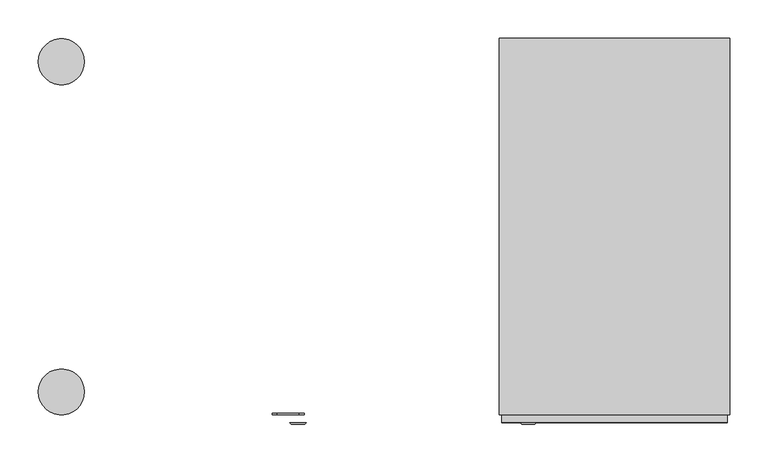
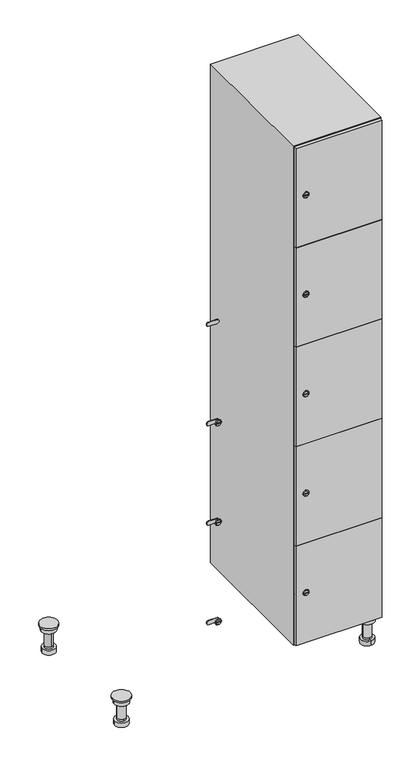
"""IFC4 building model written with IfcOpenShell, lengths in millimetres: furniture geometry."""

from ifc_helpers import new_model, si_unit, point, frame, frame_2d, origin, place, context, project, spatial, polyline, circle_curve, trimmed, segment, composite_curve, outline, extrude, faceted_brep, source, transform, mapped, element, save
from ifc_brep_helpers import plane_surface, cylinder_surface, revolved_surface, advanced_brep


def furniture_5fcd760f(model_context):
    return source(origin(), model_context, "Body", "SolidModel", [
        advanced_brep(
        [(670.0, -201.0, 22.0), (670.0, -201.5, 16.0), (670.0, -228.5, 16.0), (670.0, -229.0, 22.0), (656.0, -215.0, 22.0), (684.0, -215.0, 22.0), (670.0, -192.5, 16.0), (670.0, -237.5, 16.0), (670.0, -192.5, 0.0), (670.0, -237.5, 0.0), (684.0, -215.0, 78.0), (656.0, -215.0, 78.0), (695.0, -215.0, 78.0), (645.0, -215.0, 78.0), (700.0, -215.0, 94.0), (640.0, -215.0, 94.0), (645.0, -215.0, 94.0), (695.0, -215.0, 94.0), (700.0, -215.0, 100.0), (640.0, -215.0, 100.0)],
        [
            (0, 1),
            (1, 2, circle_curve(frame((670.0, -215.0, 16.0), z_axis=(0.0, 0.0, 1.0), x_axis=(0.0, -1.0, 0.0)), 13.5)),
            (2, 3),
            (3, 4, circle_curve(frame((670.0, -215.0, 22.0), z_axis=(0.0, 0.0, -1.0), x_axis=(0.0, -1.0, 0.0)), 14.0)),
            (4, 0, circle_curve(frame((670.0, -215.0, 22.0), z_axis=(0.0, 0.0, -1.0), x_axis=(0.0, -1.0, 0.0)), 14.0)),
            (0, 5, circle_curve(frame((670.0, -215.0, 22.0), z_axis=(0.0, 0.0, -1.0), x_axis=(0.0, 1.0, 0.0)), 14.0)),
            (5, 3, circle_curve(frame((670.0, -215.0, 22.0), z_axis=(0.0, 0.0, -1.0), x_axis=(0.0, 1.0, 0.0)), 14.0)),
            (2, 1, circle_curve(frame((670.0, -215.0, 16.0), z_axis=(0.0, 0.0, 1.0), x_axis=(0.0, 1.0, 0.0)), 13.5)),
            (6, 7, circle_curve(frame((670.0, -215.0, 16.0), z_axis=(0.0, 0.0, 1.0), x_axis=(0.0, -1.0, 0.0)), 22.5)),
            (7, 6, circle_curve(frame((670.0, -215.0, 16.0), z_axis=(0.0, 0.0, 1.0), x_axis=(0.0, -1.0, 0.0)), 22.5)),
            (8, 9, circle_curve(frame((670.0, -215.0, 0.0), z_axis=(0.0, 0.0, -1.0), x_axis=(0.0, -1.0, 0.0)), 22.5)),
            (9, 8, circle_curve(frame((670.0, -215.0, 0.0), z_axis=(0.0, 0.0, -1.0), x_axis=(0.0, -1.0, 0.0)), 22.5)),
            (6, 8),
            (9, 7),
            (5, 10),
            (10, 11, circle_curve(frame((670.0, -215.0, 78.0), z_axis=(0.0, 0.0, -1.0), x_axis=(-1.0, 0.0, 0.0)), 14.0)),
            (11, 4),
            (11, 10, circle_curve(frame((670.0, -215.0, 78.0), z_axis=(0.0, 0.0, -1.0), x_axis=(-1.0, 0.0, 0.0)), 14.0)),
            (12, 13, circle_curve(frame((670.0, -215.0, 78.0), z_axis=(0.0, 0.0, -1.0), x_axis=(-1.0, 0.0, 0.0)), 25.0)),
            (13, 12, circle_curve(frame((670.0, -215.0, 78.0), z_axis=(0.0, 0.0, -1.0), x_axis=(-1.0, 0.0, 0.0)), 25.0)),
            (14, 15, circle_curve(frame((670.0, -215.0, 94.0), z_axis=(0.0, 0.0, -1.0), x_axis=(-1.0, 0.0, 0.0)), 30.0)),
            (15, 14, circle_curve(frame((670.0, -215.0, 94.0), z_axis=(0.0, 0.0, -1.0), x_axis=(-1.0, 0.0, 0.0)), 30.0)),
            (16, 17, circle_curve(frame((670.0, -215.0, 94.0), z_axis=(0.0, 0.0, 1.0), x_axis=(-1.0, 0.0, 0.0)), 25.0)),
            (17, 16, circle_curve(frame((670.0, -215.0, 94.0), z_axis=(0.0, 0.0, 1.0), x_axis=(-1.0, 0.0, 0.0)), 25.0)),
            (18, 19, circle_curve(frame((670.0, -215.0, 100.0), z_axis=(0.0, 0.0, 1.0), x_axis=(-1.0, 0.0, 0.0)), 30.0)),
            (19, 18, circle_curve(frame((670.0, -215.0, 100.0), z_axis=(0.0, 0.0, 1.0), x_axis=(-1.0, 0.0, 0.0)), 30.0)),
            (14, 18),
            (19, 15),
            (12, 17),
            (16, 13),
        ],
        [
            revolved_surface(polyline([(670.0, -201.5, 16.0), (670.0, -201.0, 22.0)]), (670.0, -215.0, -146.0), (0.0, 0.0, 1.0)),
            plane_surface(frame((670.0, 0.0, 16.0), z_axis=(0.0, 0.0, 1.0), x_axis=(0.0, -1.0, 0.0))),
            plane_surface(frame((670.0, 0.0, 0.0), z_axis=(0.0, 0.0, -1.0), x_axis=(0.0, -1.0, 0.0))),
            cylinder_surface(frame((670.0, -215.0, 16.0), z_axis=(0.0, 0.0, 1.0), x_axis=(0.0, -1.0, 0.0)), 22.5),
            cylinder_surface(frame((670.0, -215.0, 22.0), z_axis=(0.0, 0.0, -1.0), x_axis=(-1.0, 0.0, 0.0)), 14.0),
            plane_surface(frame((670.0, 0.0, 78.0), z_axis=(0.0, 0.0, -1.0), x_axis=(0.0, -1.0, 0.0))),
            plane_surface(frame((670.0, 0.0, 94.0), z_axis=(0.0, 0.0, -1.0), x_axis=(0.0, -1.0, 0.0))),
            plane_surface(frame((670.0, 0.0, 100.0), z_axis=(0.0, 0.0, 1.0), x_axis=(0.0, -1.0, 0.0))),
            cylinder_surface(frame((670.0, -215.0, 94.0), z_axis=(0.0, 0.0, -1.0), x_axis=(-1.0, 0.0, 0.0)), 30.0),
            cylinder_surface(frame((670.0, -215.0, 78.0), z_axis=(0.0, 0.0, -1.0), x_axis=(-1.0, 0.0, 0.0)), 25.0),
        ],
        [
            (0, [[1, 2, 3, 4, 5]]),
            (0, [[-1, 6, 7, -3, 8]]),
            (1, [[9, 10], [-2, -8]]),
            (2, [[11, 12]]),
            (3, [[-9, 13, -12, 14]]),
            (3, [[-10, -14, -11, -13]]),
            (4, [[15, 16, 17, -4, -7]]),
            (4, [[-15, -6, -5, -17, 18]]),
            (5, [[19, 20], [-16, -18]]),
            (6, [[21, 22], [23, 24]]),
            (7, [[25, 26]]),
            (8, [[-21, 27, -26, 28]]),
            (8, [[-22, -28, -25, -27]]),
            (9, [[-19, 29, -23, 30]]),
            (9, [[-20, -30, -24, -29]]),
        ],
    ),
        advanced_brep(
        [(-170.0, -201.0, 22.0), (-170.0, -201.5, 16.0), (-170.0, -228.5, 16.0), (-170.0, -229.0, 22.0), (-184.0, -215.0, 22.0), (-156.0, -215.0, 22.0), (-147.5, -215.0, 0.0), (-192.5, -215.0, 0.0), (-147.5, -215.0, 16.0), (-192.5, -215.0, 16.0), (-156.0, -215.0, 78.0), (-184.0, -215.0, 78.0), (-145.0, -215.0, 78.0), (-195.0, -215.0, 78.0), (-140.0, -215.0, 94.0), (-200.0, -215.0, 94.0), (-195.0, -215.0, 94.0), (-145.0, -215.0, 94.0), (-140.0, -215.0, 100.0), (-200.0, -215.0, 100.0)],
        [
            (0, 1),
            (1, 2, circle_curve(frame((-170.0, -215.0, 16.0), z_axis=(0.0, 0.0, 1.0), x_axis=(0.0, -1.0, 0.0)), 13.5)),
            (2, 3),
            (3, 4, circle_curve(frame((-170.0, -215.0, 22.0), z_axis=(0.0, 0.0, -1.0), x_axis=(0.0, -1.0, 0.0)), 14.0)),
            (4, 0, circle_curve(frame((-170.0, -215.0, 22.0), z_axis=(0.0, 0.0, -1.0), x_axis=(0.0, -1.0, 0.0)), 14.0)),
            (0, 5, circle_curve(frame((-170.0, -215.0, 22.0), z_axis=(0.0, 0.0, -1.0), x_axis=(0.0, 1.0, 0.0)), 14.0)),
            (5, 3, circle_curve(frame((-170.0, -215.0, 22.0), z_axis=(0.0, 0.0, -1.0), x_axis=(0.0, 1.0, 0.0)), 14.0)),
            (2, 1, circle_curve(frame((-170.0, -215.0, 16.0), z_axis=(0.0, 0.0, 1.0), x_axis=(0.0, 1.0, 0.0)), 13.5)),
            (6, 7, circle_curve(frame((-170.0, -215.0, 0.0), z_axis=(0.0, 0.0, -1.0), x_axis=(-1.0, 0.0, 0.0)), 22.5)),
            (7, 6, circle_curve(frame((-170.0, -215.0, 0.0), z_axis=(0.0, 0.0, -1.0), x_axis=(-1.0, 0.0, 0.0)), 22.5)),
            (8, 9, circle_curve(frame((-170.0, -215.0, 16.0), z_axis=(0.0, 0.0, 1.0), x_axis=(-1.0, 0.0, 0.0)), 22.5)),
            (9, 8, circle_curve(frame((-170.0, -215.0, 16.0), z_axis=(0.0, 0.0, 1.0), x_axis=(-1.0, 0.0, 0.0)), 22.5)),
            (6, 8),
            (9, 7),
            (5, 10),
            (10, 11, circle_curve(frame((-170.0, -215.0, 78.0), z_axis=(0.0, 0.0, -1.0), x_axis=(-1.0, 0.0, 0.0)), 14.0)),
            (11, 4),
            (11, 10, circle_curve(frame((-170.0, -215.0, 78.0), z_axis=(0.0, 0.0, -1.0), x_axis=(-1.0, 0.0, 0.0)), 14.0)),
            (12, 13, circle_curve(frame((-170.0, -215.0, 78.0), z_axis=(0.0, 0.0, -1.0), x_axis=(-1.0, 0.0, 0.0)), 25.0)),
            (13, 12, circle_curve(frame((-170.0, -215.0, 78.0), z_axis=(0.0, 0.0, -1.0), x_axis=(-1.0, 0.0, 0.0)), 25.0)),
            (14, 15, circle_curve(frame((-170.0, -215.0, 94.0), z_axis=(0.0, 0.0, -1.0), x_axis=(-1.0, 0.0, 0.0)), 30.0)),
            (15, 14, circle_curve(frame((-170.0, -215.0, 94.0), z_axis=(0.0, 0.0, -1.0), x_axis=(-1.0, 0.0, 0.0)), 30.0)),
            (16, 17, circle_curve(frame((-170.0, -215.0, 94.0), z_axis=(0.0, 0.0, 1.0), x_axis=(-1.0, 0.0, 0.0)), 25.0)),
            (17, 16, circle_curve(frame((-170.0, -215.0, 94.0), z_axis=(0.0, 0.0, 1.0), x_axis=(-1.0, 0.0, 0.0)), 25.0)),
            (18, 19, circle_curve(frame((-170.0, -215.0, 100.0), z_axis=(0.0, 0.0, 1.0), x_axis=(-1.0, 0.0, 0.0)), 30.0)),
            (19, 18, circle_curve(frame((-170.0, -215.0, 100.0), z_axis=(0.0, 0.0, 1.0), x_axis=(-1.0, 0.0, 0.0)), 30.0)),
            (14, 18),
            (19, 15),
            (12, 17),
            (16, 13),
        ],
        [
            revolved_surface(polyline([(-170.0, -201.5, 16.0), (-170.0, -201.0, 22.0)]), (-170.0, -215.0, -146.0), (0.0, 0.0, 1.0)),
            plane_surface(frame((-170.0, 0.0, 0.0), z_axis=(0.0, 0.0, -1.0), x_axis=(0.0, -1.0, 0.0))),
            plane_surface(frame((-170.0, 0.0, 16.0), z_axis=(0.0, 0.0, 1.0), x_axis=(0.0, -1.0, 0.0))),
            cylinder_surface(frame((-170.0, -215.0, 0.0), z_axis=(0.0, 0.0, -1.0), x_axis=(-1.0, 0.0, 0.0)), 22.5),
            cylinder_surface(frame((-170.0, -215.0, 22.0), z_axis=(0.0, 0.0, -1.0), x_axis=(-1.0, 0.0, 0.0)), 14.0),
            plane_surface(frame((-170.0, 0.0, 78.0), z_axis=(0.0, 0.0, -1.0), x_axis=(0.0, -1.0, 0.0))),
            plane_surface(frame((-170.0, 0.0, 94.0), z_axis=(0.0, 0.0, -1.0), x_axis=(0.0, -1.0, 0.0))),
            plane_surface(frame((-170.0, 0.0, 100.0), z_axis=(0.0, 0.0, 1.0), x_axis=(0.0, -1.0, 0.0))),
            cylinder_surface(frame((-170.0, -215.0, 94.0), z_axis=(0.0, 0.0, -1.0), x_axis=(-1.0, 0.0, 0.0)), 30.0),
            cylinder_surface(frame((-170.0, -215.0, 78.0), z_axis=(0.0, 0.0, -1.0), x_axis=(-1.0, 0.0, 0.0)), 25.0),
        ],
        [
            (0, [[1, 2, 3, 4, 5]]),
            (0, [[-1, 6, 7, -3, 8]]),
            (1, [[9, 10]]),
            (2, [[11, 12], [-2, -8]]),
            (3, [[-9, 13, -12, 14]]),
            (3, [[-10, -14, -11, -13]]),
            (4, [[15, 16, 17, -4, -7]]),
            (4, [[-15, -6, -5, -17, 18]]),
            (5, [[19, 20], [-16, -18]]),
            (6, [[21, 22], [23, 24]]),
            (7, [[25, 26]]),
            (8, [[-21, 27, -26, 28]]),
            (8, [[-22, -28, -25, -27]]),
            (9, [[-19, 29, -23, 30]]),
            (9, [[-20, -30, -24, -29]]),
        ],
    ),
        advanced_brep(
        [(683.5, 215.0, 16.0), (684.0, 215.0, 22.0), (656.0, 215.0, 22.0), (656.5, 215.0, 16.0), (692.5, 215.0, 0.0), (647.5, 215.0, 0.0), (692.5, 215.0, 16.0), (647.5, 215.0, 16.0), (684.0, 215.0, 78.0), (656.0, 215.0, 78.0), (695.0, 215.0, 78.0), (645.0, 215.0, 78.0), (700.0, 215.0, 94.0), (640.0, 215.0, 94.0), (645.0, 215.0, 94.0), (695.0, 215.0, 94.0), (700.0, 215.0, 100.0), (640.0, 215.0, 100.0)],
        [
            (0, 1),
            (1, 2, circle_curve(frame((670.0, 215.0, 22.0), z_axis=(0.0, 0.0, -1.0), x_axis=(-1.0, 0.0, 0.0)), 14.0)),
            (2, 3),
            (3, 0, circle_curve(frame((670.0, 215.0, 16.0), z_axis=(0.0, 0.0, 1.0), x_axis=(-1.0, 0.0, 0.0)), 13.5)),
            (0, 3, circle_curve(frame((670.0, 215.0, 16.0), z_axis=(0.0, 0.0, 1.0), x_axis=(1.0, 0.0, 0.0)), 13.5)),
            (2, 1, circle_curve(frame((670.0, 215.0, 22.0), z_axis=(0.0, 0.0, -1.0), x_axis=(1.0, 0.0, 0.0)), 14.0)),
            (4, 5, circle_curve(frame((670.0, 215.0, 0.0), z_axis=(0.0, 0.0, -1.0), x_axis=(-1.0, 0.0, 0.0)), 22.5)),
            (5, 4, circle_curve(frame((670.0, 215.0, 0.0), z_axis=(0.0, 0.0, -1.0), x_axis=(-1.0, 0.0, 0.0)), 22.5)),
            (6, 7, circle_curve(frame((670.0, 215.0, 16.0), z_axis=(0.0, 0.0, 1.0), x_axis=(-1.0, 0.0, 0.0)), 22.5)),
            (7, 6, circle_curve(frame((670.0, 215.0, 16.0), z_axis=(0.0, 0.0, 1.0), x_axis=(-1.0, 0.0, 0.0)), 22.5)),
            (4, 6),
            (7, 5),
            (1, 8),
            (8, 9, circle_curve(frame((670.0, 215.0, 78.0), z_axis=(0.0, 0.0, -1.0), x_axis=(-1.0, 0.0, 0.0)), 14.0)),
            (9, 2),
            (9, 8, circle_curve(frame((670.0, 215.0, 78.0), z_axis=(0.0, 0.0, -1.0), x_axis=(-1.0, 0.0, 0.0)), 14.0)),
            (10, 11, circle_curve(frame((670.0, 215.0, 78.0), z_axis=(0.0, 0.0, -1.0), x_axis=(-1.0, 0.0, 0.0)), 25.0)),
            (11, 10, circle_curve(frame((670.0, 215.0, 78.0), z_axis=(0.0, 0.0, -1.0), x_axis=(-1.0, 0.0, 0.0)), 25.0)),
            (12, 13, circle_curve(frame((670.0, 215.0, 94.0), z_axis=(0.0, 0.0, -1.0), x_axis=(-1.0, 0.0, 0.0)), 30.0)),
            (13, 12, circle_curve(frame((670.0, 215.0, 94.0), z_axis=(0.0, 0.0, -1.0), x_axis=(-1.0, 0.0, 0.0)), 30.0)),
            (14, 15, circle_curve(frame((670.0, 215.0, 94.0), z_axis=(0.0, 0.0, 1.0), x_axis=(-1.0, 0.0, 0.0)), 25.0)),
            (15, 14, circle_curve(frame((670.0, 215.0, 94.0), z_axis=(0.0, 0.0, 1.0), x_axis=(-1.0, 0.0, 0.0)), 25.0)),
            (16, 17, circle_curve(frame((670.0, 215.0, 100.0), z_axis=(0.0, 0.0, 1.0), x_axis=(-1.0, 0.0, 0.0)), 30.0)),
            (17, 16, circle_curve(frame((670.0, 215.0, 100.0), z_axis=(0.0, 0.0, 1.0), x_axis=(-1.0, 0.0, 0.0)), 30.0)),
            (12, 16),
            (17, 13),
            (10, 15),
            (14, 11),
        ],
        [
            revolved_surface(polyline([(683.5, 215.0, 16.0), (684.0, 215.0, 22.0)]), (670.0, 215.0, -146.0), (0.0, 0.0, 1.0)),
            plane_surface(frame((670.0, 0.0, 0.0), z_axis=(0.0, 0.0, -1.0), x_axis=(0.0, -1.0, 0.0))),
            plane_surface(frame((670.0, 0.0, 16.0), z_axis=(0.0, 0.0, 1.0), x_axis=(0.0, -1.0, 0.0))),
            cylinder_surface(frame((670.0, 215.0, 0.0), z_axis=(0.0, 0.0, -1.0), x_axis=(-1.0, 0.0, 0.0)), 22.5),
            cylinder_surface(frame((670.0, 215.0, 22.0), z_axis=(0.0, 0.0, -1.0), x_axis=(-1.0, 0.0, 0.0)), 14.0),
            plane_surface(frame((670.0, 0.0, 78.0), z_axis=(0.0, 0.0, -1.0), x_axis=(0.0, -1.0, 0.0))),
            plane_surface(frame((670.0, 0.0, 94.0), z_axis=(0.0, 0.0, -1.0), x_axis=(0.0, -1.0, 0.0))),
            plane_surface(frame((670.0, 0.0, 100.0), z_axis=(0.0, 0.0, 1.0), x_axis=(0.0, -1.0, 0.0))),
            cylinder_surface(frame((670.0, 215.0, 94.0), z_axis=(0.0, 0.0, -1.0), x_axis=(-1.0, 0.0, 0.0)), 30.0),
            cylinder_surface(frame((670.0, 215.0, 78.0), z_axis=(0.0, 0.0, -1.0), x_axis=(-1.0, 0.0, 0.0)), 25.0),
        ],
        [
            (0, [[1, 2, 3, 4]]),
            (0, [[-1, 5, -3, 6]]),
            (1, [[7, 8]]),
            (2, [[9, 10], [-4, -5]]),
            (3, [[-7, 11, -10, 12]]),
            (3, [[-8, -12, -9, -11]]),
            (4, [[13, 14, 15, -2]]),
            (4, [[-13, -6, -15, 16]]),
            (5, [[17, 18], [-14, -16]]),
            (6, [[19, 20], [21, 22]]),
            (7, [[23, 24]]),
            (8, [[-19, 25, -24, 26]]),
            (8, [[-20, -26, -23, -25]]),
            (9, [[-17, 27, -21, 28]]),
            (9, [[-18, -28, -22, -27]]),
        ],
    ),
        advanced_brep(
        [(-156.5, 215.0, 16.0), (-156.0, 215.0, 22.0), (-170.0, 201.0, 22.0), (-184.0, 215.0, 22.0), (-183.5, 215.0, 16.0), (-170.0, 229.0, 22.0), (-147.5, 215.0, 0.0), (-192.5, 215.0, 0.0), (-147.5, 215.0, 16.0), (-192.5, 215.0, 16.0), (-170.0, 229.0, 78.0), (-170.0, 201.0, 78.0), (-145.0, 215.0, 78.0), (-195.0, 215.0, 78.0), (-140.0, 215.0, 94.0), (-200.0, 215.0, 94.0), (-195.0, 215.0, 94.0), (-145.0, 215.0, 94.0), (-140.0, 215.0, 100.0), (-200.0, 215.0, 100.0)],
        [
            (0, 1),
            (1, 2, circle_curve(frame((-170.0, 215.0, 22.0), z_axis=(0.0, 0.0, -1.0), x_axis=(-1.0, 0.0, 0.0)), 14.0)),
            (2, 3, circle_curve(frame((-170.0, 215.0, 22.0), z_axis=(0.0, 0.0, -1.0), x_axis=(-1.0, 0.0, 0.0)), 14.0)),
            (3, 4),
            (4, 0, circle_curve(frame((-170.0, 215.0, 16.0), z_axis=(0.0, 0.0, 1.0), x_axis=(-1.0, 0.0, 0.0)), 13.5)),
            (0, 4, circle_curve(frame((-170.0, 215.0, 16.0), z_axis=(0.0, 0.0, 1.0), x_axis=(1.0, 0.0, 0.0)), 13.5)),
            (3, 5, circle_curve(frame((-170.0, 215.0, 22.0), z_axis=(0.0, 0.0, -1.0), x_axis=(1.0, 0.0, 0.0)), 14.0)),
            (5, 1, circle_curve(frame((-170.0, 215.0, 22.0), z_axis=(0.0, 0.0, -1.0), x_axis=(1.0, 0.0, 0.0)), 14.0)),
            (6, 7, circle_curve(frame((-170.0, 215.0, 0.0), z_axis=(0.0, 0.0, -1.0), x_axis=(-1.0, 0.0, 0.0)), 22.5)),
            (7, 6, circle_curve(frame((-170.0, 215.0, 0.0), z_axis=(0.0, 0.0, -1.0), x_axis=(-1.0, 0.0, 0.0)), 22.5)),
            (8, 9, circle_curve(frame((-170.0, 215.0, 16.0), z_axis=(0.0, 0.0, 1.0), x_axis=(-1.0, 0.0, 0.0)), 22.5)),
            (9, 8, circle_curve(frame((-170.0, 215.0, 16.0), z_axis=(0.0, 0.0, 1.0), x_axis=(-1.0, 0.0, 0.0)), 22.5)),
            (6, 8),
            (9, 7),
            (10, 5),
            (2, 11),
            (11, 10, circle_curve(frame((-170.0, 215.0, 78.0), z_axis=(0.0, 0.0, -1.0), x_axis=(0.0, -1.0, 0.0)), 14.0)),
            (10, 11, circle_curve(frame((-170.0, 215.0, 78.0), z_axis=(0.0, 0.0, -1.0), x_axis=(0.0, -1.0, 0.0)), 14.0)),
            (12, 13, circle_curve(frame((-170.0, 215.0, 78.0), z_axis=(0.0, 0.0, -1.0), x_axis=(-1.0, 0.0, 0.0)), 25.0)),
            (13, 12, circle_curve(frame((-170.0, 215.0, 78.0), z_axis=(0.0, 0.0, -1.0), x_axis=(-1.0, 0.0, 0.0)), 25.0)),
            (14, 15, circle_curve(frame((-170.0, 215.0, 94.0), z_axis=(0.0, 0.0, -1.0), x_axis=(-1.0, 0.0, 0.0)), 30.0)),
            (15, 14, circle_curve(frame((-170.0, 215.0, 94.0), z_axis=(0.0, 0.0, -1.0), x_axis=(-1.0, 0.0, 0.0)), 30.0)),
            (16, 17, circle_curve(frame((-170.0, 215.0, 94.0), z_axis=(0.0, 0.0, 1.0), x_axis=(-1.0, 0.0, 0.0)), 25.0)),
            (17, 16, circle_curve(frame((-170.0, 215.0, 94.0), z_axis=(0.0, 0.0, 1.0), x_axis=(-1.0, 0.0, 0.0)), 25.0)),
            (18, 19, circle_curve(frame((-170.0, 215.0, 100.0), z_axis=(0.0, 0.0, 1.0), x_axis=(-1.0, 0.0, 0.0)), 30.0)),
            (19, 18, circle_curve(frame((-170.0, 215.0, 100.0), z_axis=(0.0, 0.0, 1.0), x_axis=(-1.0, 0.0, 0.0)), 30.0)),
            (14, 18),
            (19, 15),
            (12, 17),
            (16, 13),
        ],
        [
            revolved_surface(polyline([(-156.5, 215.0, 16.0), (-156.0, 215.0, 22.0)]), (-170.0, 215.0, -146.0), (0.0, 0.0, 1.0)),
            plane_surface(frame((-170.0, 0.0, 0.0), z_axis=(0.0, 0.0, -1.0), x_axis=(0.0, -1.0, 0.0))),
            plane_surface(frame((-170.0, 0.0, 16.0), z_axis=(0.0, 0.0, 1.0), x_axis=(0.0, -1.0, 0.0))),
            cylinder_surface(frame((-170.0, 215.0, 0.0), z_axis=(0.0, 0.0, -1.0), x_axis=(-1.0, 0.0, 0.0)), 22.5),
            cylinder_surface(frame((-170.0, 215.0, 78.0), z_axis=(0.0, 0.0, 1.0), x_axis=(0.0, -1.0, 0.0)), 14.0),
            plane_surface(frame((-170.0, 0.0, 78.0), z_axis=(0.0, 0.0, -1.0), x_axis=(0.0, -1.0, 0.0))),
            plane_surface(frame((-170.0, 0.0, 94.0), z_axis=(0.0, 0.0, -1.0), x_axis=(0.0, -1.0, 0.0))),
            plane_surface(frame((-170.0, 0.0, 100.0), z_axis=(0.0, 0.0, 1.0), x_axis=(0.0, -1.0, 0.0))),
            cylinder_surface(frame((-170.0, 215.0, 94.0), z_axis=(0.0, 0.0, -1.0), x_axis=(-1.0, 0.0, 0.0)), 30.0),
            cylinder_surface(frame((-170.0, 215.0, 78.0), z_axis=(0.0, 0.0, -1.0), x_axis=(-1.0, 0.0, 0.0)), 25.0),
        ],
        [
            (0, [[1, 2, 3, 4, 5]]),
            (0, [[-1, 6, -4, 7, 8]]),
            (1, [[9, 10]]),
            (2, [[11, 12], [-5, -6]]),
            (3, [[-9, 13, -12, 14]]),
            (3, [[-10, -14, -11, -13]]),
            (4, [[15, -7, -3, 16, 17]]),
            (4, [[-15, 18, -16, -2, -8]]),
            (5, [[19, 20], [-17, -18]]),
            (6, [[21, 22], [23, 24]]),
            (7, [[25, 26]]),
            (8, [[-21, 27, -26, 28]]),
            (8, [[-22, -28, -25, -27]]),
            (9, [[-19, 29, -23, 30]]),
            (9, [[-20, -30, -24, -29]]),
        ],
    ),
        extrude(outline(composite_curve([segment(trimmed(circle_curve(frame_2d((282.4, 411.2010534)), 7.0), [point((289.4, 411.2010534))], [point((275.4, 411.2010534))], False, "CARTESIAN"), True, "CONTINUOUS"), segment(polyline([(275.4, 411.2010534), (275.4, 439.2010534)]), True, "CONTINUOUS"), segment(trimmed(circle_curve(frame_2d((282.4, 439.2010534)), 7.0), [point((275.4, 439.2010534))], [point((289.4, 439.2010534))], False, "CARTESIAN"), True, "CONTINUOUS"), segment(polyline([(289.4, 439.2010534), (289.4, 411.2010534)]), True, "CONTINUOUS")], self_intersect=False)), frame((0.0, -245.0, 0.0), z_axis=(0.0, 1.0, 0.0), x_axis=(0.0, 0.0, 1.0)), (0.0, 0.0, 1.0), 2.0),
        advanced_brep(
        [(446.5, -257.2, 282.4), (429.5, -257.2, 282.4), (433.0, -257.2, 281.15), (433.0, -257.2, 283.65), (443.0, -257.2, 283.65), (443.0, -257.2, 281.15), (448.5, -255.0, 282.4), (427.5, -255.0, 282.4), (433.0, -255.0, 283.65), (433.0, -255.0, 281.15), (443.0, -255.0, 281.15), (443.0, -255.0, 283.65)],
        [
            (0, 1, circle_curve(frame((438.0, -257.2, 282.4), z_axis=(0.0, -1.0, 0.0), x_axis=(1.0, 0.0, 0.0)), 8.5)),
            (1, 0, circle_curve(frame((438.0, -257.2, 282.4), z_axis=(0.0, -1.0, 0.0), x_axis=(-1.0, 0.0, 0.0)), 8.5)),
            (2, 3),
            (3, 4),
            (4, 5),
            (5, 2),
            (6, 7, circle_curve(frame((438.0, -255.0, 282.4), z_axis=(0.0, 1.0, 0.0), x_axis=(-1.0, 0.0, 0.0)), 10.5)),
            (7, 6, circle_curve(frame((438.0, -255.0, 282.4), z_axis=(0.0, 1.0, 0.0), x_axis=(1.0, 0.0, 0.0)), 10.5)),
            (8, 9),
            (9, 10),
            (10, 11),
            (11, 8),
            (0, 6),
            (7, 1),
            (8, 3),
            (2, 9),
            (11, 4),
            (10, 5),
        ],
        [
            plane_surface(frame((438.0, -257.2, 282.4), z_axis=(0.0, -1.0, 0.0), x_axis=(0.0, 0.0, 1.0))),
            plane_surface(frame((438.0, -255.0, 282.4), z_axis=(0.0, 1.0, 0.0), x_axis=(0.0, 0.0, 1.0))),
            revolved_surface(polyline([(446.5, -257.2, 282.4), (448.5, -255.0, 282.4)]), (438.0, -266.55, 282.4), (0.0, 1.0, 0.0)),
            revolved_surface(polyline([(429.5, -257.2, 282.4), (427.5, -255.0, 282.4)]), (438.0, -266.55, 282.4), (0.0, 1.0, 0.0)),
            plane_surface(frame((433.0, -255.0, 281.15), z_axis=(1.0, 0.0, 0.0), x_axis=(0.0, -1.0, 0.0))),
            plane_surface(frame((433.0, -255.0, 283.65), z_axis=(0.0, 0.0, -1.0), x_axis=(0.0, -1.0, 0.0))),
            plane_surface(frame((443.0, -255.0, 283.65), z_axis=(-1.0, 0.0, 0.0), x_axis=(0.0, -1.0, 0.0))),
            plane_surface(frame((443.0, -255.0, 281.15), z_axis=(0.0, 0.0, 1.0), x_axis=(0.0, -1.0, 0.0))),
        ],
        [
            (0, [[1, 2], [3, 4, 5, 6]]),
            (1, [[7, 8], [9, 10, 11, 12]]),
            (2, [[-1, 13, -8, 14]]),
            (3, [[-2, -14, -7, -13]]),
            (4, [[15, -3, 16, -9]]),
            (5, [[-15, -12, 17, -4]]),
            (6, [[-17, -11, 18, -5]]),
            (7, [[-16, -6, -18, -10]]),
        ],
    ),
        extrude(outline(composite_curve([segment(trimmed(circle_curve(frame_2d((641.2, 411.2010534)), 7.0), [point((648.2, 411.2010534))], [point((634.2, 411.2010534))], False, "CARTESIAN"), True, "CONTINUOUS"), segment(polyline([(634.2, 411.2010534), (634.2, 439.2010534)]), True, "CONTINUOUS"), segment(trimmed(circle_curve(frame_2d((641.2, 439.2010534)), 7.0), [point((634.2, 439.2010534))], [point((648.2, 439.2010534))], False, "CARTESIAN"), True, "CONTINUOUS"), segment(polyline([(648.2, 439.2010534), (648.2, 411.2010534)]), True, "CONTINUOUS")], self_intersect=False)), frame((0.0, -245.0, 0.0), z_axis=(0.0, 1.0, 0.0), x_axis=(0.0, 0.0, 1.0)), (0.0, 0.0, 1.0), 2.0),
        advanced_brep(
        [(446.5, -257.2, 641.2), (429.5, -257.2, 641.2), (433.0, -257.2, 639.95), (433.0, -257.2, 642.45), (443.0, -257.2, 642.45), (443.0, -257.2, 639.95), (448.5, -255.0, 641.2), (427.5, -255.0, 641.2), (433.0, -255.0, 642.45), (433.0, -255.0, 639.95), (443.0, -255.0, 639.95), (443.0, -255.0, 642.45)],
        [
            (0, 1, circle_curve(frame((438.0, -257.2, 641.2), z_axis=(0.0, -1.0, 0.0), x_axis=(1.0, 0.0, 0.0)), 8.5)),
            (1, 0, circle_curve(frame((438.0, -257.2, 641.2), z_axis=(0.0, -1.0, 0.0), x_axis=(-1.0, 0.0, 0.0)), 8.5)),
            (2, 3),
            (3, 4),
            (4, 5),
            (5, 2),
            (6, 7, circle_curve(frame((438.0, -255.0, 641.2), z_axis=(0.0, 1.0, 0.0), x_axis=(-1.0, 0.0, 0.0)), 10.5)),
            (7, 6, circle_curve(frame((438.0, -255.0, 641.2), z_axis=(0.0, 1.0, 0.0), x_axis=(1.0, 0.0, 0.0)), 10.5)),
            (8, 9),
            (9, 10),
            (10, 11),
            (11, 8),
            (0, 6),
            (7, 1),
            (8, 3),
            (2, 9),
            (11, 4),
            (10, 5),
        ],
        [
            plane_surface(frame((438.0, -257.2, 641.2), z_axis=(0.0, -1.0, 0.0), x_axis=(0.0, 0.0, 1.0))),
            plane_surface(frame((438.0, -255.0, 641.2), z_axis=(0.0, 1.0, 0.0), x_axis=(0.0, 0.0, 1.0))),
            revolved_surface(polyline([(446.5, -257.2, 641.2), (448.5, -255.0, 641.2)]), (438.0, -266.55, 641.2), (0.0, 1.0, 0.0)),
            revolved_surface(polyline([(429.5, -257.2, 641.2), (427.5, -255.0, 641.2)]), (438.0, -266.55, 641.2), (0.0, 1.0, 0.0)),
            plane_surface(frame((433.0, -255.0, 639.95), z_axis=(1.0, 0.0, 0.0), x_axis=(0.0, -1.0, 0.0))),
            plane_surface(frame((433.0, -255.0, 642.45), z_axis=(0.0, 0.0, -1.0), x_axis=(0.0, -1.0, 0.0))),
            plane_surface(frame((443.0, -255.0, 642.45), z_axis=(-1.0, 0.0, 0.0), x_axis=(0.0, -1.0, 0.0))),
            plane_surface(frame((443.0, -255.0, 639.95), z_axis=(0.0, 0.0, 1.0), x_axis=(0.0, -1.0, 0.0))),
        ],
        [
            (0, [[1, 2], [3, 4, 5, 6]]),
            (1, [[7, 8], [9, 10, 11, 12]]),
            (2, [[-1, 13, -8, 14]]),
            (3, [[-2, -14, -7, -13]]),
            (4, [[15, -3, 16, -9]]),
            (5, [[-15, -12, 17, -4]]),
            (6, [[-17, -11, 18, -5]]),
            (7, [[-16, -6, -18, -10]]),
        ],
    ),
        extrude(outline(composite_curve([segment(trimmed(circle_curve(frame_2d((1000.0, 411.2010534)), 7.0), [point((1007.0, 411.2010534))], [point((993.0, 411.2010534))], False, "CARTESIAN"), True, "CONTINUOUS"), segment(polyline([(993.0, 411.2010534), (993.0, 439.2010534)]), True, "CONTINUOUS"), segment(trimmed(circle_curve(frame_2d((1000.0, 439.2010534)), 7.0), [point((993.0, 439.2010534))], [point((1007.0, 439.2010534))], False, "CARTESIAN"), True, "CONTINUOUS"), segment(polyline([(1007.0, 439.2010534), (1007.0, 411.2010534)]), True, "CONTINUOUS")], self_intersect=False)), frame((0.0, -245.0, 0.0), z_axis=(0.0, 1.0, 0.0), x_axis=(0.0, 0.0, 1.0)), (0.0, 0.0, 1.0), 2.0),
        advanced_brep(
        [(446.5, -257.2, 1000.0), (429.5, -257.2, 1000.0), (433.0, -257.2, 998.75), (433.0, -257.2, 1001.25), (443.0, -257.2, 1001.25), (443.0, -257.2, 998.75), (448.5, -255.0, 1000.0), (427.5, -255.0, 1000.0), (433.0, -255.0, 1001.25), (433.0, -255.0, 998.75), (443.0, -255.0, 998.75), (443.0, -255.0, 1001.25)],
        [
            (0, 1, circle_curve(frame((438.0, -257.2, 1000.0), z_axis=(0.0, -1.0, 0.0), x_axis=(1.0, 0.0, 0.0)), 8.5)),
            (1, 0, circle_curve(frame((438.0, -257.2, 1000.0), z_axis=(0.0, -1.0, 0.0), x_axis=(-1.0, 0.0, 0.0)), 8.5)),
            (2, 3),
            (3, 4),
            (4, 5),
            (5, 2),
            (6, 7, circle_curve(frame((438.0, -255.0, 1000.0), z_axis=(0.0, 1.0, 0.0), x_axis=(-1.0, 0.0, 0.0)), 10.5)),
            (7, 6, circle_curve(frame((438.0, -255.0, 1000.0), z_axis=(0.0, 1.0, 0.0), x_axis=(1.0, 0.0, 0.0)), 10.5)),
            (8, 9),
            (9, 10),
            (10, 11),
            (11, 8),
            (0, 6),
            (7, 1),
            (8, 3),
            (2, 9),
            (11, 4),
            (10, 5),
        ],
        [
            plane_surface(frame((438.0, -257.2, 1000.0), z_axis=(0.0, -1.0, 0.0), x_axis=(0.0, 0.0, 1.0))),
            plane_surface(frame((438.0, -255.0, 1000.0), z_axis=(0.0, 1.0, 0.0), x_axis=(0.0, 0.0, 1.0))),
            revolved_surface(polyline([(446.5, -257.2, 1000.0), (448.5, -255.0, 1000.0)]), (438.0, -266.55, 1000.0), (0.0, 1.0, 0.0)),
            revolved_surface(polyline([(429.5, -257.2, 1000.0), (427.5, -255.0, 1000.0)]), (438.0, -266.55, 1000.0), (0.0, 1.0, 0.0)),
            plane_surface(frame((433.0, -255.0, 998.75), z_axis=(1.0, 0.0, 0.0), x_axis=(0.0, -1.0, 0.0))),
            plane_surface(frame((433.0, -255.0, 1001.25), z_axis=(0.0, 0.0, -1.0), x_axis=(0.0, -1.0, 0.0))),
            plane_surface(frame((443.0, -255.0, 1001.25), z_axis=(-1.0, 0.0, 0.0), x_axis=(0.0, -1.0, 0.0))),
            plane_surface(frame((443.0, -255.0, 998.75), z_axis=(0.0, 0.0, 1.0), x_axis=(0.0, -1.0, 0.0))),
        ],
        [
            (0, [[1, 2], [3, 4, 5, 6]]),
            (1, [[7, 8], [9, 10, 11, 12]]),
            (2, [[-1, 13, -8, 14]]),
            (3, [[-2, -14, -7, -13]]),
            (4, [[15, -3, 16, -9]]),
            (5, [[-15, -12, 17, -4]]),
            (6, [[-17, -11, 18, -5]]),
            (7, [[-16, -6, -18, -10]]),
        ],
    ),
        extrude(outline(composite_curve([segment(trimmed(circle_curve(frame_2d((1358.8, 411.2010534)), 7.0), [point((1365.8, 411.2010534))], [point((1351.8, 411.2010534))], False, "CARTESIAN"), True, "CONTINUOUS"), segment(polyline([(1351.8, 411.2010534), (1351.8, 439.2010534)]), True, "CONTINUOUS"), segment(trimmed(circle_curve(frame_2d((1358.8, 439.2010534)), 7.0), [point((1351.8, 439.2010534))], [point((1365.8, 439.2010534))], False, "CARTESIAN"), True, "CONTINUOUS"), segment(polyline([(1365.8, 439.2010534), (1365.8, 411.2010534)]), True, "CONTINUOUS")], self_intersect=False)), frame((0.0, -245.0, 0.0), z_axis=(0.0, 1.0, 0.0), x_axis=(0.0, 0.0, 1.0)), (0.0, 0.0, 1.0), 2.0),
        advanced_brep(
        [(446.5, -257.2, 1358.8), (429.5, -257.2, 1358.8), (433.0, -257.2, 1357.55), (433.0, -257.2, 1360.05), (443.0, -257.2, 1360.05), (443.0, -257.2, 1357.55), (448.5, -255.0, 1358.8), (427.5, -255.0, 1358.8), (433.0, -255.0, 1360.05), (433.0, -255.0, 1357.55), (443.0, -255.0, 1357.55), (443.0, -255.0, 1360.05)],
        [
            (0, 1, circle_curve(frame((438.0, -257.2, 1358.8), z_axis=(0.0, -1.0, 0.0), x_axis=(1.0, 0.0, 0.0)), 8.5)),
            (1, 0, circle_curve(frame((438.0, -257.2, 1358.8), z_axis=(0.0, -1.0, 0.0), x_axis=(-1.0, 0.0, 0.0)), 8.5)),
            (2, 3),
            (3, 4),
            (4, 5),
            (5, 2),
            (6, 7, circle_curve(frame((438.0, -255.0, 1358.8), z_axis=(0.0, 1.0, 0.0), x_axis=(-1.0, 0.0, 0.0)), 10.5)),
            (7, 6, circle_curve(frame((438.0, -255.0, 1358.8), z_axis=(0.0, 1.0, 0.0), x_axis=(1.0, 0.0, 0.0)), 10.5)),
            (8, 9),
            (9, 10),
            (10, 11),
            (11, 8),
            (0, 6),
            (7, 1),
            (8, 3),
            (2, 9),
            (11, 4),
            (10, 5),
        ],
        [
            plane_surface(frame((438.0, -257.2, 1358.8), z_axis=(0.0, -1.0, 0.0), x_axis=(0.0, 0.0, 1.0))),
            plane_surface(frame((438.0, -255.0, 1358.8), z_axis=(0.0, 1.0, 0.0), x_axis=(0.0, 0.0, 1.0))),
            revolved_surface(polyline([(446.5, -257.2, 1358.8), (448.5, -255.0, 1358.8)]), (438.0, -266.55, 1358.8), (0.0, 1.0, 0.0)),
            revolved_surface(polyline([(429.5, -257.2, 1358.8), (427.5, -255.0, 1358.8)]), (438.0, -266.55, 1358.8), (0.0, 1.0, 0.0)),
            plane_surface(frame((433.0, -255.0, 1357.55), z_axis=(1.0, 0.0, 0.0), x_axis=(0.0, -1.0, 0.0))),
            plane_surface(frame((433.0, -255.0, 1360.05), z_axis=(0.0, 0.0, -1.0), x_axis=(0.0, -1.0, 0.0))),
            plane_surface(frame((443.0, -255.0, 1360.05), z_axis=(-1.0, 0.0, 0.0), x_axis=(0.0, -1.0, 0.0))),
            plane_surface(frame((443.0, -255.0, 1357.55), z_axis=(0.0, 0.0, 1.0), x_axis=(0.0, -1.0, 0.0))),
        ],
        [
            (0, [[1, 2], [3, 4, 5, 6]]),
            (1, [[7, 8], [9, 10, 11, 12]]),
            (2, [[-1, 13, -8, 14]]),
            (3, [[-2, -14, -7, -13]]),
            (4, [[15, -3, 16, -9]]),
            (5, [[-15, -12, 17, -4]]),
            (6, [[-17, -11, 18, -5]]),
            (7, [[-16, -6, -18, -10]]),
        ],
    ),
        extrude(outline(composite_curve([segment(trimmed(circle_curve(frame_2d((1717.6, 411.2010534)), 7.0), [point((1724.6, 411.2010534))], [point((1710.6, 411.2010534))], False, "CARTESIAN"), True, "CONTINUOUS"), segment(polyline([(1710.6, 411.2010534), (1710.6, 439.2010534)]), True, "CONTINUOUS"), segment(trimmed(circle_curve(frame_2d((1717.6, 439.2010534)), 7.0), [point((1710.6, 439.2010534))], [point((1724.6, 439.2010534))], False, "CARTESIAN"), True, "CONTINUOUS"), segment(polyline([(1724.6, 439.2010534), (1724.6, 411.2010534)]), True, "CONTINUOUS")], self_intersect=False)), frame((0.0, -245.0, 0.0), z_axis=(0.0, 1.0, 0.0), x_axis=(0.0, 0.0, 1.0)), (0.0, 0.0, 1.0), 2.0),
        advanced_brep(
        [(446.5, -257.2, 1717.6), (429.5, -257.2, 1717.6), (433.0, -257.2, 1716.35), (433.0, -257.2, 1718.85), (443.0, -257.2, 1718.85), (443.0, -257.2, 1716.35), (448.5, -255.0, 1717.6), (427.5, -255.0, 1717.6), (433.0, -255.0, 1718.85), (433.0, -255.0, 1716.35), (443.0, -255.0, 1716.35), (443.0, -255.0, 1718.85)],
        [
            (0, 1, circle_curve(frame((438.0, -257.2, 1717.6), z_axis=(0.0, -1.0, 0.0), x_axis=(1.0, 0.0, 0.0)), 8.5)),
            (1, 0, circle_curve(frame((438.0, -257.2, 1717.6), z_axis=(0.0, -1.0, 0.0), x_axis=(-1.0, 0.0, 0.0)), 8.5)),
            (2, 3),
            (3, 4),
            (4, 5),
            (5, 2),
            (6, 7, circle_curve(frame((438.0, -255.0, 1717.6), z_axis=(0.0, 1.0, 0.0), x_axis=(-1.0, 0.0, 0.0)), 10.5)),
            (7, 6, circle_curve(frame((438.0, -255.0, 1717.6), z_axis=(0.0, 1.0, 0.0), x_axis=(1.0, 0.0, 0.0)), 10.5)),
            (8, 9),
            (9, 10),
            (10, 11),
            (11, 8),
            (0, 6),
            (7, 1),
            (8, 3),
            (2, 9),
            (11, 4),
            (10, 5),
        ],
        [
            plane_surface(frame((438.0, -257.2, 1717.6), z_axis=(0.0, -1.0, 0.0), x_axis=(0.0, 0.0, 1.0))),
            plane_surface(frame((438.0, -255.0, 1717.6), z_axis=(0.0, 1.0, 0.0), x_axis=(0.0, 0.0, 1.0))),
            revolved_surface(polyline([(446.5, -257.2, 1717.6), (448.5, -255.0, 1717.6)]), (438.0, -266.55, 1717.6), (0.0, 1.0, 0.0)),
            revolved_surface(polyline([(429.5, -257.2, 1717.6), (427.5, -255.0, 1717.6)]), (438.0, -266.55, 1717.6), (0.0, 1.0, 0.0)),
            plane_surface(frame((433.0, -255.0, 1716.35), z_axis=(1.0, 0.0, 0.0), x_axis=(0.0, -1.0, 0.0))),
            plane_surface(frame((433.0, -255.0, 1718.85), z_axis=(0.0, 0.0, -1.0), x_axis=(0.0, -1.0, 0.0))),
            plane_surface(frame((443.0, -255.0, 1718.85), z_axis=(-1.0, 0.0, 0.0), x_axis=(0.0, -1.0, 0.0))),
            plane_surface(frame((443.0, -255.0, 1716.35), z_axis=(0.0, 0.0, 1.0), x_axis=(0.0, -1.0, 0.0))),
        ],
        [
            (0, [[1, 2], [3, 4, 5, 6]]),
            (1, [[7, 8], [9, 10, 11, 12]]),
            (2, [[-1, 13, -8, 14]]),
            (3, [[-2, -14, -7, -13]]),
            (4, [[15, -3, 16, -9]]),
            (5, [[-15, -12, 17, -4]]),
            (6, [[-17, -11, 18, -5]]),
            (7, [[-16, -6, -18, -10]]),
        ],
    ),
        extrude(outline(polyline([(697.0, -245.0), (697.0, -255.0), (403.0, -255.0), (403.0, -245.0), (697.0, -245.0)])), frame((0.0, 0.0, 820.1), z_axis=(0.0, 0.0, 1.0), x_axis=(1.0, 0.0, 0.0)), (0.0, 0.0, 1.0), 359.8),
        extrude(outline(polyline([(697.0, -245.0), (697.0, -255.0), (403.0, -255.0), (403.0, -245.0), (697.0, -245.0)])), frame((0.0, 0.0, 461.3), z_axis=(0.0, 0.0, 1.0), x_axis=(1.0, 0.0, 0.0)), (0.0, 0.0, 1.0), 359.8),
        extrude(outline(polyline([(697.0, -245.0), (697.0, -255.0), (403.0, -255.0), (403.0, -245.0), (697.0, -245.0)])), frame((0.0, 0.0, 1178.9), z_axis=(0.0, 0.0, 1.0), x_axis=(1.0, 0.0, 0.0)), (0.0, 0.0, 1.0), 358.8),
        extrude(outline(polyline([(403.0, -255.0), (403.0, -245.0), (697.0, -245.0), (697.0, -255.0), (403.0, -255.0)])), frame((0.0, 0.0, 1538.7), z_axis=(0.0, 0.0, 1.0), x_axis=(1.0, 0.0, 0.0)), (0.0, 0.0, 1.0), 358.3),
        extrude(outline(polyline([(697.0, -245.0), (697.0, -255.0), (403.0, -255.0), (403.0, -245.0), (697.0, -245.0)])), frame((0.0, 0.0, 103.0), z_axis=(0.0, 0.0, 1.0), x_axis=(1.0, 0.0, 0.0)), (0.0, 0.0, 1.0), 359.3),
        extrude(outline(polyline([(690.0, 241.0), (690.0, -235.0), (410.0, -235.0), (410.0, 241.0), (690.0, 241.0)])), frame((0.0, 0.0, 1529.0), z_axis=(0.0, 0.0, 1.0), x_axis=(1.0, 0.0, 0.0)), (0.0, 0.0, 1.0), 10.0),
        extrude(outline(polyline([(690.0, 241.0), (690.0, -235.0), (410.0, -235.0), (410.0, 241.0), (690.0, 241.0)])), frame((0.0, 0.0, 1173.0), z_axis=(0.0, 0.0, 1.0), x_axis=(1.0, 0.0, 0.0)), (0.0, 0.0, 1.0), 10.0),
        extrude(outline(polyline([(690.0, 241.0), (690.0, -235.0), (410.0, -235.0), (410.0, 241.0), (690.0, 241.0)])), frame((0.0, 0.0, 817.0), z_axis=(0.0, 0.0, 1.0), x_axis=(1.0, 0.0, 0.0)), (0.0, 0.0, 1.0), 10.0),
        extrude(outline(polyline([(410.0, 241.0), (690.0, 241.0), (690.0, -235.0), (410.0, -235.0), (410.0, 241.0)])), frame((0.0, 0.0, 461.0), z_axis=(0.0, 0.0, 1.0), x_axis=(1.0, 0.0, 0.0)), (0.0, 0.0, 1.0), 10.0),
        faceted_brep([(700.0, -245.0, 100.0), (700.0, -245.0, 1900.0), (400.0, -245.0, 1900.0), (400.0, -245.0, 100.0), (690.0, -245.0, 1890.0), (690.0, -245.0, 110.0), (410.0, -245.0, 110.0), (410.0, -245.0, 1890.0), (700.0, 245.0, 100.0), (400.0, 245.0, 100.0), (700.0, 245.0, 1900.0), (400.0, 245.0, 1900.0), (690.0, 241.0, 1890.0), (690.0, 241.0, 110.0), (400.0, 245.0, 1890.0), (410.0, 241.0, 1890.0), (410.0, 241.0, 110.0)], [[[0, 1, 2, 3], [4, 5, 6, 7]], [[8, 0, 3, 9]], [[1, 0, 8, 10]], [[1, 10, 11, 2]], [[4, 12, 13, 5]], [[9, 3, 2, 11, 14]], [[10, 8, 9, 14, 11]], [[12, 15, 16, 13]], [[15, 7, 6, 16]], [[4, 7, 15, 12]], [[6, 5, 13, 16]]]),
        extrude(outline(composite_curve([segment(trimmed(circle_curve(frame_2d((282.4, 111.2010534)), 7.0), [point((289.4, 111.2010534))], [point((275.4, 111.2010534))], False, "CARTESIAN"), True, "CONTINUOUS"), segment(polyline([(275.4, 111.2010534), (275.4, 139.2010534)]), True, "CONTINUOUS"), segment(trimmed(circle_curve(frame_2d((282.4, 139.2010534)), 7.0), [point((275.4, 139.2010534))], [point((289.4, 139.2010534))], False, "CARTESIAN"), True, "CONTINUOUS"), segment(polyline([(289.4, 139.2010534), (289.4, 111.2010534)]), True, "CONTINUOUS")], self_intersect=False)), frame((0.0, -245.0, 0.0), z_axis=(0.0, 1.0, 0.0), x_axis=(0.0, 0.0, 1.0)), (0.0, 0.0, 1.0), 2.0),
        advanced_brep(
        [(146.5, -257.2, 282.4), (129.5, -257.2, 282.4), (133.0, -257.2, 281.15), (133.0, -257.2, 283.65), (143.0, -257.2, 283.65), (143.0, -257.2, 281.15), (148.5, -255.0, 282.4), (127.5, -255.0, 282.4), (133.0, -255.0, 283.65), (133.0, -255.0, 281.15), (143.0, -255.0, 281.15), (143.0, -255.0, 283.65)],
        [
            (0, 1, circle_curve(frame((138.0, -257.2, 282.4), z_axis=(0.0, -1.0, 0.0), x_axis=(1.0, 0.0, 0.0)), 8.5)),
            (1, 0, circle_curve(frame((138.0, -257.2, 282.4), z_axis=(0.0, -1.0, 0.0), x_axis=(-1.0, 0.0, 0.0)), 8.5)),
            (2, 3),
            (3, 4),
            (4, 5),
            (5, 2),
            (6, 7, circle_curve(frame((138.0, -255.0, 282.4), z_axis=(0.0, 1.0, 0.0), x_axis=(-1.0, 0.0, 0.0)), 10.5)),
            (7, 6, circle_curve(frame((138.0, -255.0, 282.4), z_axis=(0.0, 1.0, 0.0), x_axis=(1.0, 0.0, 0.0)), 10.5)),
            (8, 9),
            (9, 10),
            (10, 11),
            (11, 8),
            (0, 6),
            (7, 1),
            (8, 3),
            (2, 9),
            (11, 4),
            (10, 5),
        ],
        [
            plane_surface(frame((138.0, -257.2, 282.4), z_axis=(0.0, -1.0, 0.0), x_axis=(0.0, 0.0, 1.0))),
            plane_surface(frame((138.0, -255.0, 282.4), z_axis=(0.0, 1.0, 0.0), x_axis=(0.0, 0.0, 1.0))),
            revolved_surface(polyline([(146.5, -257.2, 282.4), (148.5, -255.0, 282.4)]), (138.0, -266.55, 282.4), (0.0, 1.0, 0.0)),
            revolved_surface(polyline([(129.5, -257.2, 282.4), (127.5, -255.0, 282.4)]), (138.0, -266.55, 282.4), (0.0, 1.0, 0.0)),
            plane_surface(frame((133.0, -255.0, 281.15), z_axis=(1.0, 0.0, 0.0), x_axis=(0.0, -1.0, 0.0))),
            plane_surface(frame((133.0, -255.0, 283.65), z_axis=(0.0, 0.0, -1.0), x_axis=(0.0, -1.0, 0.0))),
            plane_surface(frame((143.0, -255.0, 283.65), z_axis=(-1.0, 0.0, 0.0), x_axis=(0.0, -1.0, 0.0))),
            plane_surface(frame((143.0, -255.0, 281.15), z_axis=(0.0, 0.0, 1.0), x_axis=(0.0, -1.0, 0.0))),
        ],
        [
            (0, [[1, 2], [3, 4, 5, 6]]),
            (1, [[7, 8], [9, 10, 11, 12]]),
            (2, [[-1, 13, -8, 14]]),
            (3, [[-2, -14, -7, -13]]),
            (4, [[15, -3, 16, -9]]),
            (5, [[-15, -12, 17, -4]]),
            (6, [[-17, -11, 18, -5]]),
            (7, [[-16, -6, -18, -10]]),
        ],
    ),
        extrude(outline(composite_curve([segment(trimmed(circle_curve(frame_2d((641.2, 111.2010534)), 7.0), [point((648.2, 111.2010534))], [point((634.2, 111.2010534))], False, "CARTESIAN"), True, "CONTINUOUS"), segment(polyline([(634.2, 111.2010534), (634.2, 139.2010534)]), True, "CONTINUOUS"), segment(trimmed(circle_curve(frame_2d((641.2, 139.2010534)), 7.0), [point((634.2, 139.2010534))], [point((648.2, 139.2010534))], False, "CARTESIAN"), True, "CONTINUOUS"), segment(polyline([(648.2, 139.2010534), (648.2, 111.2010534)]), True, "CONTINUOUS")], self_intersect=False)), frame((0.0, -245.0, 0.0), z_axis=(0.0, 1.0, 0.0), x_axis=(0.0, 0.0, 1.0)), (0.0, 0.0, 1.0), 2.0),
        advanced_brep(
        [(146.5, -257.2, 641.2), (129.5, -257.2, 641.2), (133.0, -257.2, 639.95), (133.0, -257.2, 642.45), (143.0, -257.2, 642.45), (143.0, -257.2, 639.95), (148.5, -255.0, 641.2), (127.5, -255.0, 641.2), (133.0, -255.0, 642.45), (133.0, -255.0, 639.95), (143.0, -255.0, 639.95), (143.0, -255.0, 642.45)],
        [
            (0, 1, circle_curve(frame((138.0, -257.2, 641.2), z_axis=(0.0, -1.0, 0.0), x_axis=(1.0, 0.0, 0.0)), 8.5)),
            (1, 0, circle_curve(frame((138.0, -257.2, 641.2), z_axis=(0.0, -1.0, 0.0), x_axis=(-1.0, 0.0, 0.0)), 8.5)),
            (2, 3),
            (3, 4),
            (4, 5),
            (5, 2),
            (6, 7, circle_curve(frame((138.0, -255.0, 641.2), z_axis=(0.0, 1.0, 0.0), x_axis=(-1.0, 0.0, 0.0)), 10.5)),
            (7, 6, circle_curve(frame((138.0, -255.0, 641.2), z_axis=(0.0, 1.0, 0.0), x_axis=(1.0, 0.0, 0.0)), 10.5)),
            (8, 9),
            (9, 10),
            (10, 11),
            (11, 8),
            (0, 6),
            (7, 1),
            (8, 3),
            (2, 9),
            (11, 4),
            (10, 5),
        ],
        [
            plane_surface(frame((138.0, -257.2, 641.2), z_axis=(0.0, -1.0, 0.0), x_axis=(0.0, 0.0, 1.0))),
            plane_surface(frame((138.0, -255.0, 641.2), z_axis=(0.0, 1.0, 0.0), x_axis=(0.0, 0.0, 1.0))),
            revolved_surface(polyline([(146.5, -257.2, 641.2), (148.5, -255.0, 641.2)]), (138.0, -266.55, 641.2), (0.0, 1.0, 0.0)),
            revolved_surface(polyline([(129.5, -257.2, 641.2), (127.5, -255.0, 641.2)]), (138.0, -266.55, 641.2), (0.0, 1.0, 0.0)),
            plane_surface(frame((133.0, -255.0, 639.95), z_axis=(1.0, 0.0, 0.0), x_axis=(0.0, -1.0, 0.0))),
            plane_surface(frame((133.0, -255.0, 642.45), z_axis=(0.0, 0.0, -1.0), x_axis=(0.0, -1.0, 0.0))),
            plane_surface(frame((143.0, -255.0, 642.45), z_axis=(-1.0, 0.0, 0.0), x_axis=(0.0, -1.0, 0.0))),
            plane_surface(frame((143.0, -255.0, 639.95), z_axis=(0.0, 0.0, 1.0), x_axis=(0.0, -1.0, 0.0))),
        ],
        [
            (0, [[1, 2], [3, 4, 5, 6]]),
            (1, [[7, 8], [9, 10, 11, 12]]),
            (2, [[-1, 13, -8, 14]]),
            (3, [[-2, -14, -7, -13]]),
            (4, [[15, -3, 16, -9]]),
            (5, [[-15, -12, 17, -4]]),
            (6, [[-17, -11, 18, -5]]),
            (7, [[-16, -6, -18, -10]]),
        ],
    ),
        extrude(outline(composite_curve([segment(trimmed(circle_curve(frame_2d((1000.0, 111.2010534)), 7.0), [point((1007.0, 111.2010534))], [point((993.0, 111.2010534))], False, "CARTESIAN"), True, "CONTINUOUS"), segment(polyline([(993.0, 111.2010534), (993.0, 139.2010534)]), True, "CONTINUOUS"), segment(trimmed(circle_curve(frame_2d((1000.0, 139.2010534)), 7.0), [point((993.0, 139.2010534))], [point((1007.0, 139.2010534))], False, "CARTESIAN"), True, "CONTINUOUS"), segment(polyline([(1007.0, 139.2010534), (1007.0, 111.2010534)]), True, "CONTINUOUS")], self_intersect=False)), frame((0.0, -245.0, 0.0), z_axis=(0.0, 1.0, 0.0), x_axis=(0.0, 0.0, 1.0)), (0.0, 0.0, 1.0), 2.0),
        advanced_brep(
        [(146.5, -257.2, 1000.0), (129.5, -257.2, 1000.0), (133.0, -257.2, 998.75), (133.0, -257.2, 1001.25), (143.0, -257.2, 1001.25), (143.0, -257.2, 998.75), (148.5, -255.0, 1000.0), (127.5, -255.0, 1000.0), (133.0, -255.0, 1001.25), (133.0, -255.0, 998.75), (143.0, -255.0, 998.75), (143.0, -255.0, 1001.25)],
        [
            (0, 1, circle_curve(frame((138.0, -257.2, 1000.0), z_axis=(0.0, -1.0, 0.0), x_axis=(1.0, 0.0, 0.0)), 8.5)),
            (1, 0, circle_curve(frame((138.0, -257.2, 1000.0), z_axis=(0.0, -1.0, 0.0), x_axis=(-1.0, 0.0, 0.0)), 8.5)),
            (2, 3),
            (3, 4),
            (4, 5),
            (5, 2),
            (6, 7, circle_curve(frame((138.0, -255.0, 1000.0), z_axis=(0.0, 1.0, 0.0), x_axis=(-1.0, 0.0, 0.0)), 10.5)),
            (7, 6, circle_curve(frame((138.0, -255.0, 1000.0), z_axis=(0.0, 1.0, 0.0), x_axis=(1.0, 0.0, 0.0)), 10.5)),
            (8, 9),
            (9, 10),
            (10, 11),
            (11, 8),
            (0, 6),
            (7, 1),
            (8, 3),
            (2, 9),
            (11, 4),
            (10, 5),
        ],
        [
            plane_surface(frame((138.0, -257.2, 1000.0), z_axis=(0.0, -1.0, 0.0), x_axis=(0.0, 0.0, 1.0))),
            plane_surface(frame((138.0, -255.0, 1000.0), z_axis=(0.0, 1.0, 0.0), x_axis=(0.0, 0.0, 1.0))),
            revolved_surface(polyline([(146.5, -257.2, 1000.0), (148.5, -255.0, 1000.0)]), (138.0, -266.55, 1000.0), (0.0, 1.0, 0.0)),
            revolved_surface(polyline([(129.5, -257.2, 1000.0), (127.5, -255.0, 1000.0)]), (138.0, -266.55, 1000.0), (0.0, 1.0, 0.0)),
            plane_surface(frame((133.0, -255.0, 998.75), z_axis=(1.0, 0.0, 0.0), x_axis=(0.0, -1.0, 0.0))),
            plane_surface(frame((133.0, -255.0, 1001.25), z_axis=(0.0, 0.0, -1.0), x_axis=(0.0, -1.0, 0.0))),
            plane_surface(frame((143.0, -255.0, 1001.25), z_axis=(-1.0, 0.0, 0.0), x_axis=(0.0, -1.0, 0.0))),
            plane_surface(frame((143.0, -255.0, 998.75), z_axis=(0.0, 0.0, 1.0), x_axis=(0.0, -1.0, 0.0))),
        ],
        [
            (0, [[1, 2], [3, 4, 5, 6]]),
            (1, [[7, 8], [9, 10, 11, 12]]),
            (2, [[-1, 13, -8, 14]]),
            (3, [[-2, -14, -7, -13]]),
            (4, [[15, -3, 16, -9]]),
            (5, [[-15, -12, 17, -4]]),
            (6, [[-17, -11, 18, -5]]),
            (7, [[-16, -6, -18, -10]]),
        ],
    ),
        extrude(outline(composite_curve([segment(trimmed(circle_curve(frame_2d((1358.8, 111.2010534)), 7.0), [point((1365.8, 111.2010534))], [point((1351.8, 111.2010534))], False, "CARTESIAN"), True, "CONTINUOUS"), segment(polyline([(1351.8, 111.2010534), (1351.8, 139.2010534)]), True, "CONTINUOUS"), segment(trimmed(circle_curve(frame_2d((1358.8, 139.2010534)), 7.0), [point((1351.8, 139.2010534))], [point((1365.8, 139.2010534))], False, "CARTESIAN"), True, "CONTINUOUS"), segment(polyline([(1365.8, 139.2010534), (1365.8, 111.2010534)]), True, "CONTINUOUS")], self_intersect=False)), frame((0.0, -245.0, 0.0), z_axis=(0.0, 1.0, 0.0), x_axis=(0.0, 0.0, 1.0)), (0.0, 0.0, 1.0), 2.0),
    ])


if __name__ == "__main__":
    model = new_model("IFC4")
    model_context = context("Model", 3, world=origin())
    ifc_project = project(units=[si_unit("LENGTHUNIT", "METRE", prefix="MILLI")], contexts=[model_context])
    site = spatial("IfcSite", under=ifc_project)
    building = spatial("IfcBuilding", under=site)
    placement = place(None, origin())
    furniture_shape = furniture_5fcd760f(model_context)
    element("IfcFurniture", 1, at=placement, inside=building, context=model_context, shape_type="MappedRepresentation", body=[
        mapped(furniture_shape, transform((0.0, 0.0, 0.0), x_axis=(1.0, 0.0, 0.0), y_axis=(0.0, 1.0, 0.0), z_axis=(0.0, 0.0, 1.0))),
    ])
    save(model, "model.ifc")
